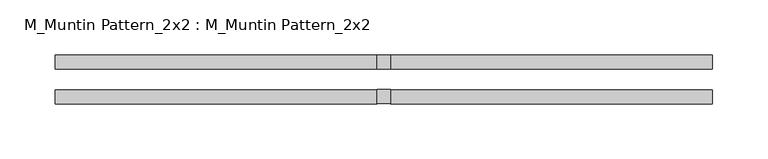
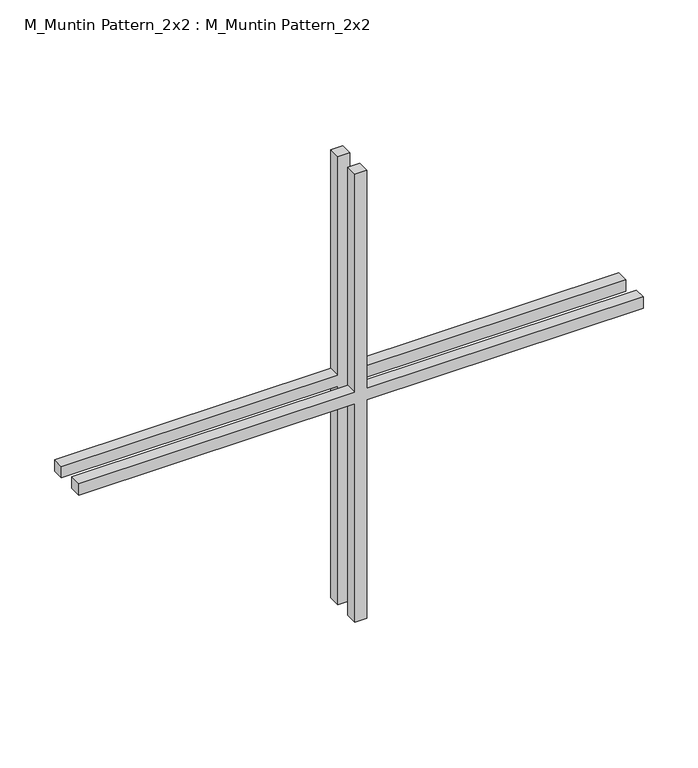
"""IFC4 building model written with IfcOpenShell, lengths in millimetres: proxy geometry, M_Muntin Pattern_2x2 : M_Muntin Pattern_2x2."""

import ifcopenshell
import ifcopenshell.guid

model = None  # the IFC model being written
_history = None  # IfcOwnerHistory: only IFC2X3 demands one
_inside = {}  # id of a spatial element -> (the spatial element, [elements in it])
_under = {}  # id of a project, library or spatial element -> (it, [spatial elements below it])
_declared = {}  # id of a project -> (the project, [libraries it declares])
_typed = {}  # id of a type object -> (the type object, [elements of that type])
_made_of = {}  # id of a material, layer set ... -> (it, [elements and type objects made of it])


def new_model(schema):
    """Start an empty IFC model of exactly this schema.

    Asked for "IFC4X3", IfcOpenShell would pick the latest addendum, in which some entities
    have other attributes; the version numbers below select the first issue.
    IFC2X3 requires an IfcOwnerHistory on every rooted entity: one is made here for all.
    """
    global model, _history
    if schema == "IFC4X3":
        model = ifcopenshell.file(schema_version=(4, 3, 0, 0))
    else:
        model = ifcopenshell.file(schema=schema)
    _inside.clear()
    _under.clear()
    _declared.clear()
    _typed.clear()
    _made_of.clear()
    _history = None
    if model.schema == "IFC2X3":
        org = make("IfcOrganization", Name="unknown")
        user = make(
            "IfcPersonAndOrganization",
            ThePerson=make("IfcPerson", FamilyName="unknown"),
            TheOrganization=org,
        )
        app = make(
            "IfcApplication",
            ApplicationDeveloper=org,
            Version="unknown",
            ApplicationFullName="unknown",
            ApplicationIdentifier="unknown",
        )
        _history = make(
            "IfcOwnerHistory",
            OwningUser=user,
            OwningApplication=app,
            ChangeAction="ADDED",
            CreationDate=0,
        )
    return model


def make(cls, **values):
    """One entity of the class cls with the attributes given. An attribute that is None is left unset."""
    return model.create_entity(
        cls, **{name: value for name, value in values.items() if value is not None}
    )


def rooted(cls, **values):
    """An entity with a GlobalId (a new one), such as an element, a storey or a relation."""
    return make(cls, GlobalId=ifcopenshell.guid.new(), OwnerHistory=_history, **values)


def si_unit(unit_type, name, prefix=None):
    """IfcSIUnit, for example si_unit("LENGTHUNIT", "METRE", prefix="MILLI")."""
    return make("IfcSIUnit", UnitType=unit_type, Prefix=prefix, Name=name)


def assignment(units):
    """IfcUnitAssignment: the units of a project."""
    return None if units is None else make("IfcUnitAssignment", Units=units)


def point(xyz):
    """IfcCartesianPoint."""
    return None if xyz is None else make("IfcCartesianPoint", Coordinates=xyz)


def direction(xyz):
    """IfcDirection."""
    return None if xyz is None else make("IfcDirection", DirectionRatios=xyz)


def frame(location, z_axis=None, x_axis=None):
    """IfcAxis2Placement3D, a coordinate frame: its origin and axes. An axis left out is left unset."""
    return make(
        "IfcAxis2Placement3D",
        Location=point(location),
        Axis=direction(z_axis),
        RefDirection=direction(x_axis),
    )


def origin():
    """The frame at (0, 0, 0) with its axes left unset."""
    return frame((0.0, 0.0, 0.0))


def place(relative_to, where):
    """IfcLocalPlacement: puts the frame where relative to a parent placement (None: the world)."""
    return make(
        "IfcLocalPlacement", PlacementRelTo=relative_to, RelativePlacement=where
    )


def context(
    kind, dimensions, precision=None, world=None, true_north=None, identifier=None
):
    """IfcGeometricRepresentationContext, for example the 3D "Model" context."""
    return make(
        "IfcGeometricRepresentationContext",
        ContextIdentifier=identifier,
        ContextType=kind,
        CoordinateSpaceDimension=dimensions,
        Precision=precision,
        WorldCoordinateSystem=world,
        TrueNorth=true_north,
    )


def project(units=None, contexts=None):
    """IfcProject with its units and contexts."""
    return rooted(
        "IfcProject",
        Name="project",
        RepresentationContexts=contexts,
        UnitsInContext=assignment(units),
    )


def spatial(cls, under=None, at=None, **own):
    """A site, building, storey or space (cls), placed at a placement, below another one or the project."""
    s = rooted(cls, ObjectPlacement=at, **own)
    if under is not None:
        _under.setdefault(under.id(), (under, []))[1].append(s)
    return s


def polyline(points):
    """IfcPolyline through the points."""
    return make("IfcPolyline", Points=[point(p) for p in points])


def outline(outer, holes=None, kind="AREA"):
    """IfcArbitraryClosedProfileDef: a profile drawn as a closed curve; with holes, ...WithVoids."""
    if holes is None:
        return make("IfcArbitraryClosedProfileDef", ProfileType=kind, OuterCurve=outer)
    return make(
        "IfcArbitraryProfileDefWithVoids",
        ProfileType=kind,
        OuterCurve=outer,
        InnerCurves=holes,
    )


def extrude(swept, where, along, depth):
    """IfcExtrudedAreaSolid: the profile swept, set in the frame where, extruded along a direction by depth."""
    return make(
        "IfcExtrudedAreaSolid",
        SweptArea=swept,
        Position=where,
        ExtrudedDirection=direction(along),
        Depth=depth,
    )


def shape(context_of_items, identifier, shape_type, items):
    """IfcShapeRepresentation: the items that make up one representation, for example the "Body"."""
    return make(
        "IfcShapeRepresentation",
        ContextOfItems=context_of_items,
        RepresentationIdentifier=identifier,
        RepresentationType=shape_type,
        Items=items,
    )


def source(mapping_origin, context_of_items, identifier, shape_type, items):
    """IfcRepresentationMap: a shape defined once, which mapped items show again and again."""
    return make(
        "IfcRepresentationMap",
        MappingOrigin=mapping_origin,
        MappedRepresentation=shape(context_of_items, identifier, shape_type, items),
    )


def transform(
    local_origin,
    x_axis=None,
    y_axis=None,
    z_axis=None,
    scale=None,
    scale2=None,
    scale3=None,
    uniform=True,
):
    """IfcCartesianTransformationOperator3D, or its non-uniform kind. x_axis, y_axis, z_axis: its Axis1, 2, 3."""
    if uniform:
        return make(
            "IfcCartesianTransformationOperator3D",
            Axis1=direction(x_axis),
            Axis2=direction(y_axis),
            LocalOrigin=point(local_origin),
            Scale=scale,
            Axis3=direction(z_axis),
        )
    return make(
        "IfcCartesianTransformationOperator3DnonUniform",
        Axis1=direction(x_axis),
        Axis2=direction(y_axis),
        LocalOrigin=point(local_origin),
        Scale=scale,
        Axis3=direction(z_axis),
        Scale2=scale2,
        Scale3=scale3,
    )


def mapped(mapping_source, mapping_target):
    """IfcMappedItem: shows the shape of a source again, moved by a transform."""
    return make(
        "IfcMappedItem", MappingSource=mapping_source, MappingTarget=mapping_target
    )


def made_of(thing, what):
    """Note that an element or type object is made of a material, layer set ...; save() writes the relation."""
    if what is not None:
        _made_of.setdefault(what.id(), (what, []))[1].append(thing)
    return thing


def element(
    cls,
    number,
    at=None,
    inside=None,
    cuts=None,
    type_object=None,
    material=None,
    context=None,
    identifier="Body",
    shape_type=None,
    held_by="IfcProductDefinitionShape",
    body=None,
    shapes=None,
    **own,
):
    """One element of the class cls, such as IfcWall. Its Tag is "e" and its number.

    at: its placement. inside: the storey or other place that contains it. cuts: it is an
    opening in that element (IfcRelVoidsElement). A single representation is given by context,
    identifier, shape_type and body (its items); several are given by shapes. held_by: the class
    of the entity that holds the representations. save() writes the other relations.
    """
    e = rooted(cls, Tag="e%d" % number, ObjectPlacement=at, **own)
    if body is not None:
        shapes = [shape(context, identifier, shape_type, body)]
    if shapes is not None:
        e.Representation = make(held_by, Representations=shapes)
    if inside is not None:
        _inside.setdefault(inside.id(), (inside, []))[1].append(e)
    if cuts is not None:
        rooted(
            "IfcRelVoidsElement", RelatingBuildingElement=cuts, RelatedOpeningElement=e
        )
    if type_object is not None:
        _typed.setdefault(type_object.id(), (type_object, []))[1].append(e)
    return made_of(e, material)


def aggregate(whole, parts):
    """IfcRelAggregates: a whole, such as a stair, and the parts it consists of."""
    return rooted("IfcRelAggregates", RelatingObject=whole, RelatedObjects=parts)


def save(model, path):
    """Write the relations noted so far, then the file.

    IfcRelAggregates (storeys below a building ...), IfcRelContainedInSpatialStructure (elements
    in a storey), IfcRelDefinesByType, IfcRelAssociatesMaterial and IfcRelDeclares: one each for
    every whole, place, type object, material and project.
    """
    for whole, parts in _under.values():
        aggregate(whole, parts)
    for where, things in _inside.values():
        rooted(
            "IfcRelContainedInSpatialStructure",
            RelatedElements=things,
            RelatingStructure=where,
        )
    for kind, things in _typed.values():
        rooted("IfcRelDefinesByType", RelatedObjects=things, RelatingType=kind)
    for what, things in _made_of.values():
        rooted("IfcRelAssociatesMaterial", RelatedObjects=things, RelatingMaterial=what)
    for by, libraries in _declared.values():
        rooted("IfcRelDeclares", RelatingContext=by, RelatedDefinitions=libraries)
    model.write(path)


def m_muntin_pattern_2x2_m_muntin_pattern_2x2_aaec3afb(model_context):
    return source(origin(), model_context, "Body", "SweptSolid", [
        extrude(outline(polyline([(257.1375, -6.35), (257.1375, -298.8), (244.4375, -298.8), (244.4375, -6.35), (0.0, -6.35), (0.0, 6.35), (244.4375, 6.35), (244.4375, 298.8), (257.1375, 298.8), (257.1375, 6.35), (501.575, 6.35), (501.575, -6.35), (257.1375, -6.35)])), frame((0.0, 9.525, 0.0), z_axis=(0.0, 1.0, 0.0), x_axis=(0.0, 0.0, 1.0)), (0.0, 0.0, 1.0), 12.7),
        extrude(outline(polyline([(257.1375, -6.35), (257.1375, -298.8), (244.4375, -298.8), (244.4375, -6.35), (0.0, -6.35), (0.0, 6.35), (244.4375, 6.35), (244.4375, 298.8), (257.1375, 298.8), (257.1375, 6.35), (501.575, 6.35), (501.575, -6.35), (257.1375, -6.35)])), frame((0.0, -22.225, 0.0), z_axis=(0.0, 1.0, 0.0), x_axis=(0.0, 0.0, 1.0)), (0.0, 0.0, 1.0), 12.7),
    ])


if __name__ == "__main__":
    model = new_model("IFC4")
    model_context = context("Model", 3, world=origin())
    ifc_project = project(units=[si_unit("LENGTHUNIT", "METRE", prefix="MILLI")], contexts=[model_context])
    site = spatial("IfcSite", under=ifc_project)
    building = spatial("IfcBuilding", under=site)
    placement = place(None, origin())
    m_muntin_pattern_2x2_m_muntin_pattern_2x2_shape = m_muntin_pattern_2x2_m_muntin_pattern_2x2_aaec3afb(model_context)
    element("IfcBuildingElementProxy", 1, Name="M_Muntin Pattern_2x2 : M_Muntin Pattern_2x2", ObjectType="M_Muntin Pattern_2x2 : M_Muntin Pattern_2x2", at=placement, inside=building, context=model_context, shape_type="MappedRepresentation", body=[
        mapped(m_muntin_pattern_2x2_m_muntin_pattern_2x2_shape, transform((0.0, 0.0, 0.0), x_axis=(1.0, 0.0, 0.0), y_axis=(0.0, 1.0, 0.0), z_axis=(0.0, 0.0, 1.0))),
    ])
    save(model, "model.ifc")
